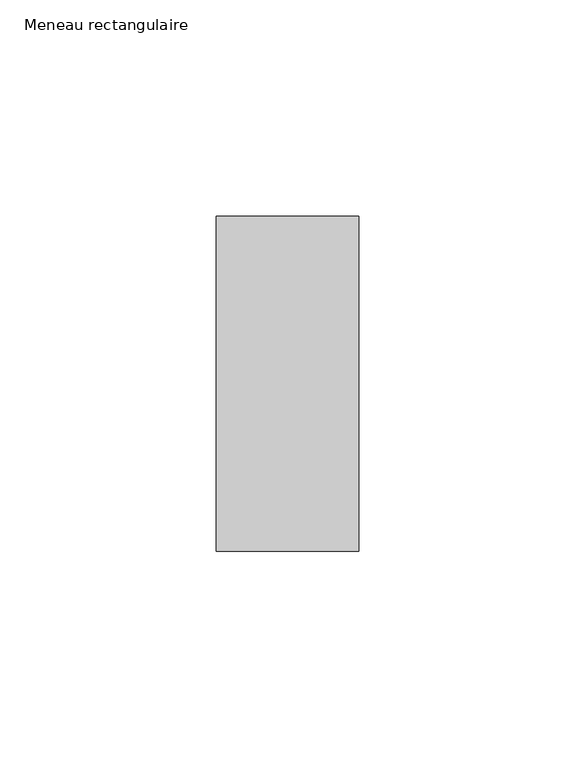
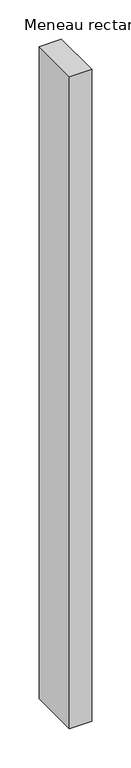
"""IFC4 building model written with IfcOpenShell, lengths in millimetres: member geometry, Meneau rectangulaire."""

import ifcopenshell
import ifcopenshell.guid

model = None  # the IFC model being written
_history = None  # IfcOwnerHistory: only IFC2X3 demands one
_inside = {}  # id of a spatial element -> (the spatial element, [elements in it])
_under = {}  # id of a project, library or spatial element -> (it, [spatial elements below it])
_declared = {}  # id of a project -> (the project, [libraries it declares])
_typed = {}  # id of a type object -> (the type object, [elements of that type])
_made_of = {}  # id of a material, layer set ... -> (it, [elements and type objects made of it])


def new_model(schema):
    """Start an empty IFC model of exactly this schema.

    Asked for "IFC4X3", IfcOpenShell would pick the latest addendum, in which some entities
    have other attributes; the version numbers below select the first issue.
    IFC2X3 requires an IfcOwnerHistory on every rooted entity: one is made here for all.
    """
    global model, _history
    if schema == "IFC4X3":
        model = ifcopenshell.file(schema_version=(4, 3, 0, 0))
    else:
        model = ifcopenshell.file(schema=schema)
    _inside.clear()
    _under.clear()
    _declared.clear()
    _typed.clear()
    _made_of.clear()
    _history = None
    if model.schema == "IFC2X3":
        org = make("IfcOrganization", Name="unknown")
        user = make(
            "IfcPersonAndOrganization",
            ThePerson=make("IfcPerson", FamilyName="unknown"),
            TheOrganization=org,
        )
        app = make(
            "IfcApplication",
            ApplicationDeveloper=org,
            Version="unknown",
            ApplicationFullName="unknown",
            ApplicationIdentifier="unknown",
        )
        _history = make(
            "IfcOwnerHistory",
            OwningUser=user,
            OwningApplication=app,
            ChangeAction="ADDED",
            CreationDate=0,
        )
    return model


def make(cls, **values):
    """One entity of the class cls with the attributes given. An attribute that is None is left unset."""
    return model.create_entity(
        cls, **{name: value for name, value in values.items() if value is not None}
    )


def rooted(cls, **values):
    """An entity with a GlobalId (a new one), such as an element, a storey or a relation."""
    return make(cls, GlobalId=ifcopenshell.guid.new(), OwnerHistory=_history, **values)


def si_unit(unit_type, name, prefix=None):
    """IfcSIUnit, for example si_unit("LENGTHUNIT", "METRE", prefix="MILLI")."""
    return make("IfcSIUnit", UnitType=unit_type, Prefix=prefix, Name=name)


def assignment(units):
    """IfcUnitAssignment: the units of a project."""
    return None if units is None else make("IfcUnitAssignment", Units=units)


def point(xyz):
    """IfcCartesianPoint."""
    return None if xyz is None else make("IfcCartesianPoint", Coordinates=xyz)


def direction(xyz):
    """IfcDirection."""
    return None if xyz is None else make("IfcDirection", DirectionRatios=xyz)


def frame(location, z_axis=None, x_axis=None):
    """IfcAxis2Placement3D, a coordinate frame: its origin and axes. An axis left out is left unset."""
    return make(
        "IfcAxis2Placement3D",
        Location=point(location),
        Axis=direction(z_axis),
        RefDirection=direction(x_axis),
    )


def origin():
    """The frame at (0, 0, 0) with its axes left unset."""
    return frame((0.0, 0.0, 0.0))


def place(relative_to, where):
    """IfcLocalPlacement: puts the frame where relative to a parent placement (None: the world)."""
    return make(
        "IfcLocalPlacement", PlacementRelTo=relative_to, RelativePlacement=where
    )


def context(
    kind, dimensions, precision=None, world=None, true_north=None, identifier=None
):
    """IfcGeometricRepresentationContext, for example the 3D "Model" context."""
    return make(
        "IfcGeometricRepresentationContext",
        ContextIdentifier=identifier,
        ContextType=kind,
        CoordinateSpaceDimension=dimensions,
        Precision=precision,
        WorldCoordinateSystem=world,
        TrueNorth=true_north,
    )


def project(units=None, contexts=None):
    """IfcProject with its units and contexts."""
    return rooted(
        "IfcProject",
        Name="project",
        RepresentationContexts=contexts,
        UnitsInContext=assignment(units),
    )


def spatial(cls, under=None, at=None, **own):
    """A site, building, storey or space (cls), placed at a placement, below another one or the project."""
    s = rooted(cls, ObjectPlacement=at, **own)
    if under is not None:
        _under.setdefault(under.id(), (under, []))[1].append(s)
    return s


def polyline(points):
    """IfcPolyline through the points."""
    return make("IfcPolyline", Points=[point(p) for p in points])


def outline(outer, holes=None, kind="AREA"):
    """IfcArbitraryClosedProfileDef: a profile drawn as a closed curve; with holes, ...WithVoids."""
    if holes is None:
        return make("IfcArbitraryClosedProfileDef", ProfileType=kind, OuterCurve=outer)
    return make(
        "IfcArbitraryProfileDefWithVoids",
        ProfileType=kind,
        OuterCurve=outer,
        InnerCurves=holes,
    )


def extrude(swept, where, along, depth):
    """IfcExtrudedAreaSolid: the profile swept, set in the frame where, extruded along a direction by depth."""
    return make(
        "IfcExtrudedAreaSolid",
        SweptArea=swept,
        Position=where,
        ExtrudedDirection=direction(along),
        Depth=depth,
    )


def shape(context_of_items, identifier, shape_type, items):
    """IfcShapeRepresentation: the items that make up one representation, for example the "Body"."""
    return make(
        "IfcShapeRepresentation",
        ContextOfItems=context_of_items,
        RepresentationIdentifier=identifier,
        RepresentationType=shape_type,
        Items=items,
    )


def source(mapping_origin, context_of_items, identifier, shape_type, items):
    """IfcRepresentationMap: a shape defined once, which mapped items show again and again."""
    return make(
        "IfcRepresentationMap",
        MappingOrigin=mapping_origin,
        MappedRepresentation=shape(context_of_items, identifier, shape_type, items),
    )


def transform(
    local_origin,
    x_axis=None,
    y_axis=None,
    z_axis=None,
    scale=None,
    scale2=None,
    scale3=None,
    uniform=True,
):
    """IfcCartesianTransformationOperator3D, or its non-uniform kind. x_axis, y_axis, z_axis: its Axis1, 2, 3."""
    if uniform:
        return make(
            "IfcCartesianTransformationOperator3D",
            Axis1=direction(x_axis),
            Axis2=direction(y_axis),
            LocalOrigin=point(local_origin),
            Scale=scale,
            Axis3=direction(z_axis),
        )
    return make(
        "IfcCartesianTransformationOperator3DnonUniform",
        Axis1=direction(x_axis),
        Axis2=direction(y_axis),
        LocalOrigin=point(local_origin),
        Scale=scale,
        Axis3=direction(z_axis),
        Scale2=scale2,
        Scale3=scale3,
    )


def mapped(mapping_source, mapping_target):
    """IfcMappedItem: shows the shape of a source again, moved by a transform."""
    return make(
        "IfcMappedItem", MappingSource=mapping_source, MappingTarget=mapping_target
    )


def made_of(thing, what):
    """Note that an element or type object is made of a material, layer set ...; save() writes the relation."""
    if what is not None:
        _made_of.setdefault(what.id(), (what, []))[1].append(thing)
    return thing


def element(
    cls,
    number,
    at=None,
    inside=None,
    cuts=None,
    type_object=None,
    material=None,
    context=None,
    identifier="Body",
    shape_type=None,
    held_by="IfcProductDefinitionShape",
    body=None,
    shapes=None,
    **own,
):
    """One element of the class cls, such as IfcWall. Its Tag is "e" and its number.

    at: its placement. inside: the storey or other place that contains it. cuts: it is an
    opening in that element (IfcRelVoidsElement). A single representation is given by context,
    identifier, shape_type and body (its items); several are given by shapes. held_by: the class
    of the entity that holds the representations. save() writes the other relations.
    """
    e = rooted(cls, Tag="e%d" % number, ObjectPlacement=at, **own)
    if body is not None:
        shapes = [shape(context, identifier, shape_type, body)]
    if shapes is not None:
        e.Representation = make(held_by, Representations=shapes)
    if inside is not None:
        _inside.setdefault(inside.id(), (inside, []))[1].append(e)
    if cuts is not None:
        rooted(
            "IfcRelVoidsElement", RelatingBuildingElement=cuts, RelatedOpeningElement=e
        )
    if type_object is not None:
        _typed.setdefault(type_object.id(), (type_object, []))[1].append(e)
    return made_of(e, material)


def aggregate(whole, parts):
    """IfcRelAggregates: a whole, such as a stair, and the parts it consists of."""
    return rooted("IfcRelAggregates", RelatingObject=whole, RelatedObjects=parts)


def save(model, path):
    """Write the relations noted so far, then the file.

    IfcRelAggregates (storeys below a building ...), IfcRelContainedInSpatialStructure (elements
    in a storey), IfcRelDefinesByType, IfcRelAssociatesMaterial and IfcRelDeclares: one each for
    every whole, place, type object, material and project.
    """
    for whole, parts in _under.values():
        aggregate(whole, parts)
    for where, things in _inside.values():
        rooted(
            "IfcRelContainedInSpatialStructure",
            RelatedElements=things,
            RelatingStructure=where,
        )
    for kind, things in _typed.values():
        rooted("IfcRelDefinesByType", RelatedObjects=things, RelatingType=kind)
    for what, things in _made_of.values():
        rooted("IfcRelAssociatesMaterial", RelatedObjects=things, RelatingMaterial=what)
    for by, libraries in _declared.values():
        rooted("IfcRelDeclares", RelatingContext=by, RelatedDefinitions=libraries)
    model.write(path)


def meneau_rectangulaire_64661f3a(model_context):
    return source(origin(), model_context, "Body", "SweptSolid", [
        extrude(outline(polyline([(0.0, 38.75), (0.0, -38.75), (-33.0, -38.75), (-33.0, 38.75), (0.0, 38.75)])), frame((0.0, 0.0, -1018.2164019), z_axis=(0.0, 0.0, 1.0), x_axis=(1.0, 0.0, 0.0)), (0.0, 0.0, 1.0), 1018.2164019),
    ])


if __name__ == "__main__":
    model = new_model("IFC4")
    model_context = context("Model", 3, world=origin())
    ifc_project = project(units=[si_unit("LENGTHUNIT", "METRE", prefix="MILLI")], contexts=[model_context])
    site = spatial("IfcSite", under=ifc_project)
    building = spatial("IfcBuilding", under=site)
    placement = place(None, origin())
    meneau_rectangulaire_shape = meneau_rectangulaire_64661f3a(model_context)
    element("IfcMember", 1, ObjectType="Meneau rectangulaire", at=placement, inside=building, context=model_context, shape_type="MappedRepresentation", body=[
        mapped(meneau_rectangulaire_shape, transform((0.0, 0.0, 0.0), x_axis=(1.0, 0.0, 0.0), y_axis=(0.0, 1.0, 0.0), z_axis=(0.0, 0.0, 1.0))),
    ])
    save(model, "model.ifc")
